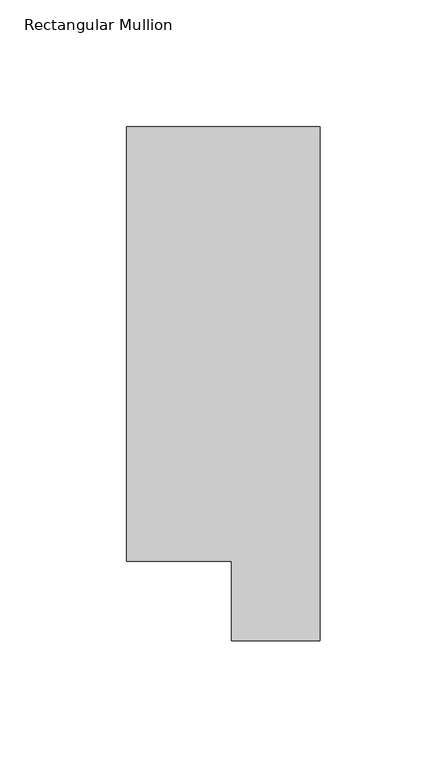
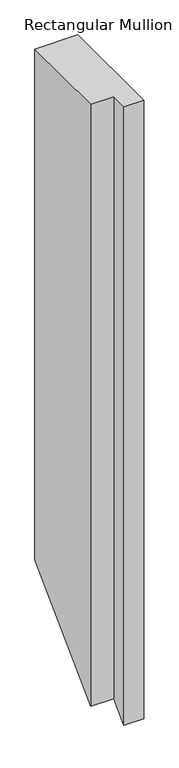
"""IFC4 building model written with IfcOpenShell, lengths in millimetres: member geometry, Rectangular Mullion."""

import ifcopenshell
import ifcopenshell.guid

model = None  # the IFC model being written
_history = None  # IfcOwnerHistory: only IFC2X3 demands one
_inside = {}  # id of a spatial element -> (the spatial element, [elements in it])
_under = {}  # id of a project, library or spatial element -> (it, [spatial elements below it])
_declared = {}  # id of a project -> (the project, [libraries it declares])
_typed = {}  # id of a type object -> (the type object, [elements of that type])
_made_of = {}  # id of a material, layer set ... -> (it, [elements and type objects made of it])


def new_model(schema):
    """Start an empty IFC model of exactly this schema.

    Asked for "IFC4X3", IfcOpenShell would pick the latest addendum, in which some entities
    have other attributes; the version numbers below select the first issue.
    IFC2X3 requires an IfcOwnerHistory on every rooted entity: one is made here for all.
    """
    global model, _history
    if schema == "IFC4X3":
        model = ifcopenshell.file(schema_version=(4, 3, 0, 0))
    else:
        model = ifcopenshell.file(schema=schema)
    _inside.clear()
    _under.clear()
    _declared.clear()
    _typed.clear()
    _made_of.clear()
    _history = None
    if model.schema == "IFC2X3":
        org = make("IfcOrganization", Name="unknown")
        user = make(
            "IfcPersonAndOrganization",
            ThePerson=make("IfcPerson", FamilyName="unknown"),
            TheOrganization=org,
        )
        app = make(
            "IfcApplication",
            ApplicationDeveloper=org,
            Version="unknown",
            ApplicationFullName="unknown",
            ApplicationIdentifier="unknown",
        )
        _history = make(
            "IfcOwnerHistory",
            OwningUser=user,
            OwningApplication=app,
            ChangeAction="ADDED",
            CreationDate=0,
        )
    return model


def make(cls, **values):
    """One entity of the class cls with the attributes given. An attribute that is None is left unset."""
    return model.create_entity(
        cls, **{name: value for name, value in values.items() if value is not None}
    )


def rooted(cls, **values):
    """An entity with a GlobalId (a new one), such as an element, a storey or a relation."""
    return make(cls, GlobalId=ifcopenshell.guid.new(), OwnerHistory=_history, **values)


def si_unit(unit_type, name, prefix=None):
    """IfcSIUnit, for example si_unit("LENGTHUNIT", "METRE", prefix="MILLI")."""
    return make("IfcSIUnit", UnitType=unit_type, Prefix=prefix, Name=name)


def assignment(units):
    """IfcUnitAssignment: the units of a project."""
    return None if units is None else make("IfcUnitAssignment", Units=units)


def point(xyz):
    """IfcCartesianPoint."""
    return None if xyz is None else make("IfcCartesianPoint", Coordinates=xyz)


def direction(xyz):
    """IfcDirection."""
    return None if xyz is None else make("IfcDirection", DirectionRatios=xyz)


def frame(location, z_axis=None, x_axis=None):
    """IfcAxis2Placement3D, a coordinate frame: its origin and axes. An axis left out is left unset."""
    return make(
        "IfcAxis2Placement3D",
        Location=point(location),
        Axis=direction(z_axis),
        RefDirection=direction(x_axis),
    )


def origin():
    """The frame at (0, 0, 0) with its axes left unset."""
    return frame((0.0, 0.0, 0.0))


def place(relative_to, where):
    """IfcLocalPlacement: puts the frame where relative to a parent placement (None: the world)."""
    return make(
        "IfcLocalPlacement", PlacementRelTo=relative_to, RelativePlacement=where
    )


def context(
    kind, dimensions, precision=None, world=None, true_north=None, identifier=None
):
    """IfcGeometricRepresentationContext, for example the 3D "Model" context."""
    return make(
        "IfcGeometricRepresentationContext",
        ContextIdentifier=identifier,
        ContextType=kind,
        CoordinateSpaceDimension=dimensions,
        Precision=precision,
        WorldCoordinateSystem=world,
        TrueNorth=true_north,
    )


def project(units=None, contexts=None):
    """IfcProject with its units and contexts."""
    return rooted(
        "IfcProject",
        Name="project",
        RepresentationContexts=contexts,
        UnitsInContext=assignment(units),
    )


def spatial(cls, under=None, at=None, **own):
    """A site, building, storey or space (cls), placed at a placement, below another one or the project."""
    s = rooted(cls, ObjectPlacement=at, **own)
    if under is not None:
        _under.setdefault(under.id(), (under, []))[1].append(s)
    return s


def faces_of(points, faces, orient=None, outer=None):
    """IfcFace entities. A face is a list of loops; a loop is a list of indices into points, from 0.

    orient and outer hold one flag for each loop. By default every Orientation is true, the
    first loop of a face is its IfcFaceOuterBound and the others are IfcFaceBound.
    """
    made = []
    for i, loops in enumerate(faces):
        bounds = []
        for j, loop in enumerate(loops):
            is_outer = j == 0 if outer is None else outer[i][j]
            bounds.append(
                make(
                    "IfcFaceOuterBound" if is_outer else "IfcFaceBound",
                    Bound=make("IfcPolyLoop", Polygon=[points[k] for k in loop]),
                    Orientation=True if orient is None else orient[i][j],
                )
            )
        made.append(make("IfcFace", Bounds=bounds))
    return made


def faceted_brep(points, faces, orient=None, outer=None, voids=None):
    """IfcFacetedBrep: a solid bounded by flat faces; with voids (closed shells), ...WithVoids."""
    shared = [point(p) for p in points]
    hull = make("IfcClosedShell", CfsFaces=faces_of(shared, faces, orient, outer))
    if voids is None:
        return make("IfcFacetedBrep", Outer=hull)
    return make(
        "IfcFacetedBrepWithVoids",
        Outer=hull,
        Voids=[
            make(cls, CfsFaces=faces_of(shared, fs, o, b)) for cls, fs, o, b in voids
        ],
    )


def shape(context_of_items, identifier, shape_type, items):
    """IfcShapeRepresentation: the items that make up one representation, for example the "Body"."""
    return make(
        "IfcShapeRepresentation",
        ContextOfItems=context_of_items,
        RepresentationIdentifier=identifier,
        RepresentationType=shape_type,
        Items=items,
    )


def source(mapping_origin, context_of_items, identifier, shape_type, items):
    """IfcRepresentationMap: a shape defined once, which mapped items show again and again."""
    return make(
        "IfcRepresentationMap",
        MappingOrigin=mapping_origin,
        MappedRepresentation=shape(context_of_items, identifier, shape_type, items),
    )


def transform(
    local_origin,
    x_axis=None,
    y_axis=None,
    z_axis=None,
    scale=None,
    scale2=None,
    scale3=None,
    uniform=True,
):
    """IfcCartesianTransformationOperator3D, or its non-uniform kind. x_axis, y_axis, z_axis: its Axis1, 2, 3."""
    if uniform:
        return make(
            "IfcCartesianTransformationOperator3D",
            Axis1=direction(x_axis),
            Axis2=direction(y_axis),
            LocalOrigin=point(local_origin),
            Scale=scale,
            Axis3=direction(z_axis),
        )
    return make(
        "IfcCartesianTransformationOperator3DnonUniform",
        Axis1=direction(x_axis),
        Axis2=direction(y_axis),
        LocalOrigin=point(local_origin),
        Scale=scale,
        Axis3=direction(z_axis),
        Scale2=scale2,
        Scale3=scale3,
    )


def mapped(mapping_source, mapping_target):
    """IfcMappedItem: shows the shape of a source again, moved by a transform."""
    return make(
        "IfcMappedItem", MappingSource=mapping_source, MappingTarget=mapping_target
    )


def made_of(thing, what):
    """Note that an element or type object is made of a material, layer set ...; save() writes the relation."""
    if what is not None:
        _made_of.setdefault(what.id(), (what, []))[1].append(thing)
    return thing


def element(
    cls,
    number,
    at=None,
    inside=None,
    cuts=None,
    type_object=None,
    material=None,
    context=None,
    identifier="Body",
    shape_type=None,
    held_by="IfcProductDefinitionShape",
    body=None,
    shapes=None,
    **own,
):
    """One element of the class cls, such as IfcWall. Its Tag is "e" and its number.

    at: its placement. inside: the storey or other place that contains it. cuts: it is an
    opening in that element (IfcRelVoidsElement). A single representation is given by context,
    identifier, shape_type and body (its items); several are given by shapes. held_by: the class
    of the entity that holds the representations. save() writes the other relations.
    """
    e = rooted(cls, Tag="e%d" % number, ObjectPlacement=at, **own)
    if body is not None:
        shapes = [shape(context, identifier, shape_type, body)]
    if shapes is not None:
        e.Representation = make(held_by, Representations=shapes)
    if inside is not None:
        _inside.setdefault(inside.id(), (inside, []))[1].append(e)
    if cuts is not None:
        rooted(
            "IfcRelVoidsElement", RelatingBuildingElement=cuts, RelatedOpeningElement=e
        )
    if type_object is not None:
        _typed.setdefault(type_object.id(), (type_object, []))[1].append(e)
    return made_of(e, material)


def aggregate(whole, parts):
    """IfcRelAggregates: a whole, such as a stair, and the parts it consists of."""
    return rooted("IfcRelAggregates", RelatingObject=whole, RelatedObjects=parts)


def save(model, path):
    """Write the relations noted so far, then the file.

    IfcRelAggregates (storeys below a building ...), IfcRelContainedInSpatialStructure (elements
    in a storey), IfcRelDefinesByType, IfcRelAssociatesMaterial and IfcRelDeclares: one each for
    every whole, place, type object, material and project.
    """
    for whole, parts in _under.values():
        aggregate(whole, parts)
    for where, things in _inside.values():
        rooted(
            "IfcRelContainedInSpatialStructure",
            RelatedElements=things,
            RelatingStructure=where,
        )
    for kind, things in _typed.values():
        rooted("IfcRelDefinesByType", RelatedObjects=things, RelatingType=kind)
    for what, things in _made_of.values():
        rooted("IfcRelAssociatesMaterial", RelatedObjects=things, RelatingMaterial=what)
    for by, libraries in _declared.values():
        rooted("IfcRelDeclares", RelatingContext=by, RelatedDefinitions=libraries)
    model.write(path)


def rectangular_mullion_ac0c420d(model_context):
    return source(origin(), model_context, "Body", "Brep", [
        faceted_brep([(0.0, 222.0301313, 0.0), (-76.2, 222.0301313, 0.0), (-76.2, 50.820278, 0.0), (-34.9123, 50.820278, 0.0), (-34.9123, 19.5667312, 0.0), (0.0, 19.5667313, 0.0), (0.0, 222.0301313, -959.413539), (-76.2, 222.0301313, -959.413539), (-76.2, 50.820278, -1130.6233923), (-34.9123, 50.820278, -1130.6233923), (-34.9123, 19.5667312, -1161.876939), (0.0, 19.5667313, -1161.876939)], [[[0, 1, 2, 3, 4, 5]], [[1, 0, 6, 7]], [[2, 1, 7, 8]], [[3, 2, 8, 9]], [[4, 3, 9, 10]], [[5, 4, 10, 11]], [[0, 5, 11, 6]], [[6, 11, 10, 9, 8, 7]]]),
    ])


if __name__ == "__main__":
    model = new_model("IFC4")
    model_context = context("Model", 3, world=origin())
    ifc_project = project(units=[si_unit("LENGTHUNIT", "METRE", prefix="MILLI")], contexts=[model_context])
    site = spatial("IfcSite", under=ifc_project)
    building = spatial("IfcBuilding", under=site)
    placement = place(None, origin())
    rectangular_mullion_shape = rectangular_mullion_ac0c420d(model_context)
    element("IfcMember", 1, ObjectType="Rectangular Mullion", at=placement, inside=building, context=model_context, shape_type="MappedRepresentation", body=[
        mapped(rectangular_mullion_shape, transform((0.0, 0.0, 0.0), x_axis=(1.0, 0.0, 0.0), y_axis=(0.0, 1.0, 0.0), z_axis=(0.0, 0.0, 1.0))),
    ])
    save(model, "model.ifc")
